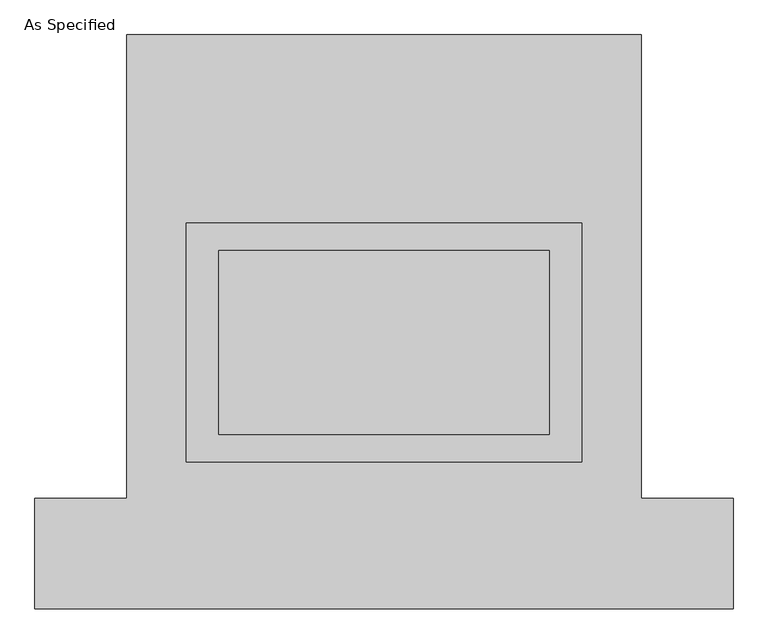
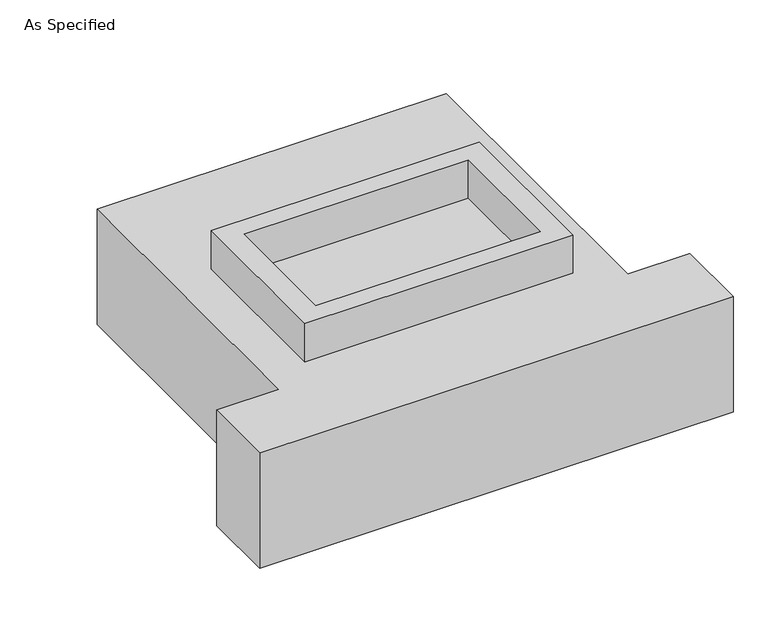
"""IFC4 building model written with IfcOpenShell, lengths in millimetres: proxy geometry, As Specified."""

from ifc_helpers import new_model, si_unit, frame, origin, place, context, project, spatial, polyline, outline, extrude, source, transform, mapped, element, save


def as_specified_3a5d944d(model_context):
    return source(origin(), model_context, "Body", "SweptSolid", [
        extrude(outline(polyline([(546.1, 273.05), (546.1, -387.35), (-546.1, -387.35), (-546.1, 273.05), (546.1, 273.05)]), holes=[polyline([(457.2, 196.85), (-457.2, 196.85), (-457.2, -311.15), (457.2, -311.15), (457.2, 196.85)])]), frame((0.0, 0.0, -688.975), z_axis=(0.0, 0.0, 1.0), x_axis=(1.0, 0.0, 0.0)), (0.0, 0.0, 1.0), 165.1),
        extrude(outline(polyline([(546.1, 273.05), (546.1, -387.35), (-546.1, -387.35), (-546.1, 273.05), (546.1, 273.05)]), holes=[polyline([(457.2, 196.85), (-457.2, 196.85), (-457.2, -311.15), (457.2, -311.15), (457.2, 196.85)])]), frame((0.0, 0.0, -25.4), z_axis=(0.0, 0.0, 1.0), x_axis=(1.0, 0.0, 0.0)), (0.0, 0.0, 1.0), 165.1),
        extrude(outline(polyline([(457.2, 196.85), (457.2, -311.15), (-457.2, -311.15), (-457.2, 196.85), (457.2, 196.85)])), frame((0.0, 0.0, -523.875), z_axis=(0.0, 0.0, 1.0), x_axis=(1.0, 0.0, 0.0)), (0.0, 0.0, 1.0), 4.9609375),
        extrude(outline(polyline([(457.2, 196.85), (457.2, -311.15), (-457.2, -311.15), (-457.2, 196.85), (457.2, 196.85)])), frame((0.0, 0.0, -30.3609375), z_axis=(0.0, 0.0, 1.0), x_axis=(1.0, 0.0, 0.0)), (0.0, 0.0, 1.0), 4.9609375),
        extrude(outline(polyline([(-711.2, 793.75), (711.2, 793.75), (711.2, -488.95), (965.2, -488.95), (965.2, -793.75), (-965.2, -793.75), (-965.2, -488.95), (-711.2, -488.95), (-711.2, 793.75)]), holes=[polyline([(-546.1, 273.05), (-546.1, -387.35), (546.1, -387.35), (546.1, 273.05), (-546.1, 273.05)])]), frame((0.0, 0.0, -523.875), z_axis=(0.0, 0.0, 1.0), x_axis=(1.0, 0.0, 0.0)), (0.0, 0.0, 1.0), 498.475),
    ])


if __name__ == "__main__":
    model = new_model("IFC4")
    model_context = context("Model", 3, world=origin())
    ifc_project = project(units=[si_unit("LENGTHUNIT", "METRE", prefix="MILLI")], contexts=[model_context])
    site = spatial("IfcSite", under=ifc_project)
    building = spatial("IfcBuilding", under=site)
    placement = place(None, origin())
    as_specified_shape = as_specified_3a5d944d(model_context)
    element("IfcBuildingElementProxy", 1, Name="As Specified", ObjectType="As Specified", at=placement, inside=building, context=model_context, shape_type="MappedRepresentation", body=[
        mapped(as_specified_shape, transform((0.0, 0.0, 0.0), x_axis=(1.0, 0.0, 0.0), y_axis=(0.0, 1.0, 0.0), z_axis=(0.0, 0.0, 1.0))),
    ])
    save(model, "model.ifc")
